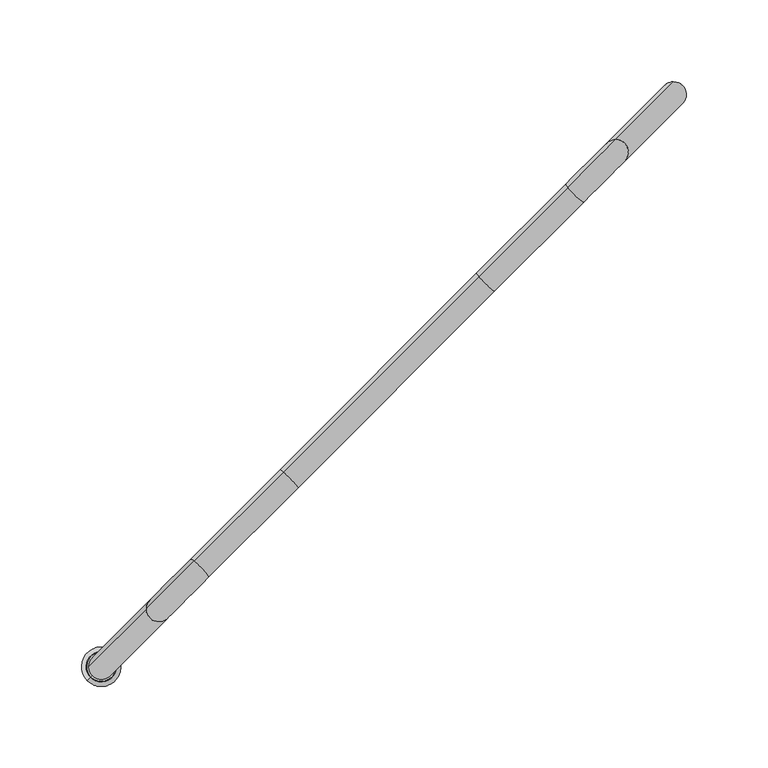
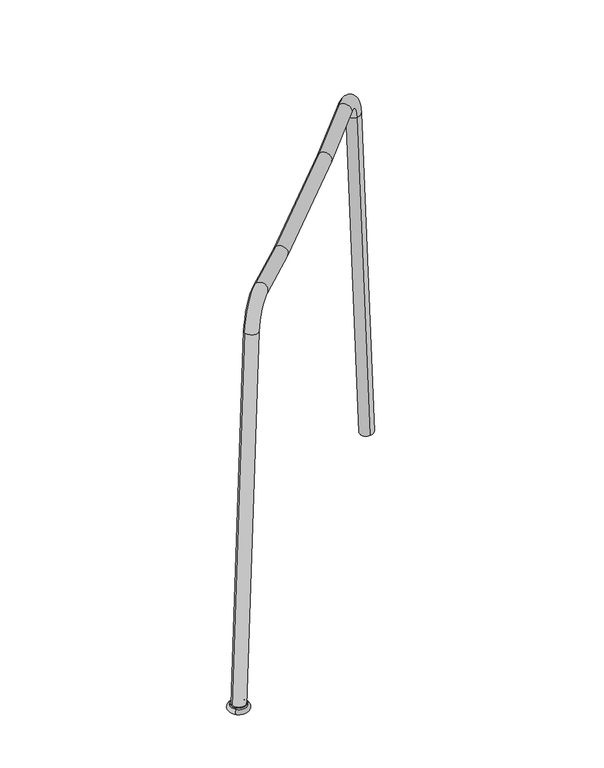
"""IFC4 building model written with IfcOpenShell, lengths in millimetres: furniture geometry."""

from ifc_helpers import new_model, si_unit, point, frame, origin, place, context, project, spatial, circle_curve, ellipse_curve, trimmed, source, transform, mapped, element, save
from ifc_brep_helpers import plane_surface, cylinder_surface, revolved_surface, advanced_brep


def furniture_af16c95f(model_context):
    return source(origin(), model_context, "Body", "AdvancedBrep", [
        advanced_brep(
        [(-167.712258, -167.680317, 7.0000593), (-180.4413635, -180.4094224, 7.0000593), (-180.6271874, -180.5952463, 5.5096764), (-167.5264341, -167.494493, 5.5096764), (-180.6271874, -180.5952463, 0.0), (-167.5264341, -167.494493, 0.0), (-174.0768107, -174.0448697, 0.0), (-174.0768107, -174.0448697, 7.0000593)],
        [
            (0, 1, circle_curve(frame((-174.0768107, -174.0448697, 7.0000593), z_axis=(0.0, 0.0, -1.0), x_axis=(-0.7071067811865459, -0.7071067811865491, 0.0)), 9.0008368)),
            (1, 2, circle_curve(frame((-184.3856332, -184.3536921, 7.2152579), z_axis=(-0.7071067811865491, 0.7071067811865459, 0.0), x_axis=(-0.7071067811865459, -0.7071067811865491, 0.0)), 5.5821893)),
            (2, 3, circle_curve(frame((-174.0768107, -174.0448697, 5.5096764), z_axis=(0.0, 0.0, 1.0), x_axis=(-0.7071067811865459, -0.7071067811865491, 0.0)), 9.2636315)),
            (3, 0, circle_curve(frame((-163.7679883, -163.7360473, 7.2152579), z_axis=(-0.7071067811865468, 0.7071067811865482, 0.0), x_axis=(0.7071067811865482, 0.7071067811865468, 0.0)), 5.5821893)),
            (1, 0, circle_curve(frame((-174.0768107, -174.0448697, 7.0000593), z_axis=(0.0, 0.0, -1.0), x_axis=(-0.7071067811865459, -0.7071067811865491, 0.0)), 9.0008368)),
            (3, 2, circle_curve(frame((-174.0768107, -174.0448697, 5.5096764), z_axis=(0.0, 0.0, 1.0), x_axis=(-0.7071067811865459, -0.7071067811865491, 0.0)), 9.2636315)),
            (2, 4, circle_curve(frame((-180.6271874, -180.5952463, 2.7548382), z_axis=(0.7071067811865491, -0.7071067811865459, 0.0), x_axis=(-0.7071067811865459, -0.7071067811865491, 0.0)), 2.7548382)),
            (4, 5, circle_curve(frame((-174.0768107, -174.0448697, 0.0), z_axis=(0.0, 0.0, 1.0), x_axis=(-0.7071067811865459, -0.7071067811865491, 0.0)), 9.2636315)),
            (5, 3, circle_curve(frame((-167.5264341, -167.494493, 2.7548382), z_axis=(0.7071067811865468, -0.7071067811865482, 0.0), x_axis=(0.7071067811865482, 0.7071067811865468, 0.0)), 2.7548382)),
            (5, 4, circle_curve(frame((-174.0768107, -174.0448697, 0.0), z_axis=(0.0, 0.0, 1.0), x_axis=(-0.7071067811865459, -0.7071067811865491, 0.0)), 9.2636315)),
            (4, 6),
            (6, 5),
            (7, 1),
            (0, 7),
        ],
        [
            revolved_surface(trimmed(ellipse_curve(frame((-184.3856332, -184.3536921, 7.2152579), z_axis=(0.7071067811865491, -0.7071067811865459, 0.0), x_axis=(-0.7071067811865459, -0.7071067811865491, 0.0)), 5.5821893, 5.5821893), [point((-180.6271874, -180.5952463, 5.5096764))], [point((-180.4413635, -180.4094224, 7.0000593))], True, "CARTESIAN"), (-174.0768107, -174.0448697, 7.0000593), (0.0, 0.0, 1.0)),
            revolved_surface(trimmed(ellipse_curve(frame((-180.6271874, -180.5952463, 2.7548382), z_axis=(-0.7071067811865491, 0.7071067811865459, 0.0), x_axis=(-0.7071067811865459, -0.7071067811865491, 0.0)), 2.7548382, 2.7548382), [point((-180.6271874, -180.5952463, 0.0))], [point((-180.6271874, -180.5952463, 5.5096764))], True, "CARTESIAN"), (-174.0768107, -174.0448697, 7.0000593), (0.0, 0.0, 1.0)),
            plane_surface(frame((-174.0768107, -174.0448697, 0.0), z_axis=(0.0, 0.0, -1.0), x_axis=(-0.7071067811865459, -0.7071067811865491, 0.0))),
            plane_surface(frame((-174.0768107, -174.0448697, 7.0000593), z_axis=(0.0, 0.0, 1.0), x_axis=(-0.7071067811865459, -0.7071067811865491, 0.0))),
        ],
        [
            (0, [[1, 2, 3, 4]]),
            (0, [[5, -4, 6, -2]]),
            (1, [[-3, 7, 8, 9]]),
            (1, [[-6, -9, 10, -7]]),
            (2, [[-8, 11, 12]]),
            (2, [[-10, -12, -11]]),
            (3, [[13, -1, 14]]),
            (3, [[-14, -5, -13]]),
        ],
    ),
        advanced_brep(
        [(-166.4559404, -174.2326671, 4.0492153), (-181.9899106, -174.1491564, 5.3407786), (-146.5731115, -138.7323573, 429.0179086), (-131.0391413, -138.815868, 427.7263453), (-55.3781391, -63.1548658, 443.2443251), (-110.2747626, -118.0514893, 450.686082), (-117.1063176, -109.2655634, 461.6001419), (-62.6802374, -54.8394833, 454.2221716), (65.4005978, 57.6238711, 443.2443251), (57.0852153, 64.9259694, 454.2221716), (120.3655797, 112.588853, 450.6983266), (111.5790679, 119.419822, 461.6122815), (176.5491999, 168.7724733, 4.0492164), (176.4656893, 184.3064434, 5.3407797), (141.0478457, 148.8885999, 429.0304036), (141.1313564, 133.3546297, 427.7388403)],
        [
            (0, 1, circle_curve(frame((-174.2229255, -174.1909118, 4.694997), z_axis=(-0.08301574672294262, -0.08301574672294297, -0.993084473542943), x_axis=(-0.9965470175569706, 0.0053574399722598155, 0.08285734508931952)), 7.7938973)),
            (1, 0, circle_curve(frame((-174.2229255, -174.1909118, 4.694997), z_axis=(-0.08301574672294262, -0.08301574672294297, -0.993084473542943), x_axis=(-0.9965470175569706, 0.0053574399722598155, 0.08285734508931952)), 7.7938973)),
            (1, 2),
            (2, 3, circle_curve(frame((-138.8061264, -138.7741126, 428.3721269), z_axis=(-0.08301574672294262, -0.08301574672294297, -0.993084473542943), x_axis=(-0.9965470175569706, 0.0053574399722598155, 0.08285734508931952)), 7.7938973)),
            (3, 0),
            (3, 2, circle_curve(frame((-138.8061264, -138.7741126, 428.3721269), z_axis=(-0.08301574672294262, -0.08301574672294297, -0.993084473542943), x_axis=(-0.9965470175569706, 0.0053574399722598155, 0.08285734508931952)), 7.7938973)),
            (4, 5, circle_curve(frame((3.729993, -4.0467337, 1723.9906604), z_axis=(-0.7071067811865491, 0.7071067811865459, 0.0), x_axis=(-0.08882532146346069, -0.08882532146346109, -0.9920786886804018)), 1283.4713545)),
            (5, 6, circle_curve(frame((-113.6905401, -113.6585264, 456.143112), z_axis=(0.7015055682365684, 0.7015055682365714, -0.1256179742957766), x_axis=(-0.43826308690588445, 0.5636413706233484, 0.7001670314843154)), 7.7938973)),
            (6, 7, circle_curve(frame((-4.0787474, 3.7620068, 1723.9906604), z_axis=(0.7071067811865491, -0.7071067811865459, 0.0), x_axis=(-0.08882532146346069, -0.08882532146346109, -0.9920786886804018)), 1272.4701507)),
            (7, 4, circle_curve(frame((-59.0291882, -58.9971745, 448.7332484), z_axis=(-0.7056054780353368, -0.7056054780353398, 0.06512924637245092), x_axis=(-0.468449741856323, 0.5334547156729098, 0.7042591182803949)), 7.7938973)),
            (6, 5, circle_curve(frame((-113.6905401, -113.6585264, 456.143112), z_axis=(0.7015055682365684, 0.7015055682365714, -0.1256179742957766), x_axis=(-0.43826308690588445, 0.5636413706233484, 0.7001670314843154)), 7.7938973)),
            (4, 7, circle_curve(frame((-59.0291882, -58.9971745, 448.7332484), z_axis=(-0.7056054780353368, -0.7056054780353398, 0.0651292463724509), x_axis=(-0.468449741856323, 0.5334547156729098, 0.7042591182803949)), 7.7938973)),
            (8, 4, circle_curve(frame((5.0112293, -2.7654973, 1751.7523013), z_axis=(-0.7071067811865491, 0.707106781186546, 0.0), x_axis=(-0.04605333176352923, -0.04605333176352943, -0.9978768367223265)), 1311.2920633)),
            (7, 9, circle_curve(frame((-2.7975111, 5.0432431, 1751.7523013), z_axis=(0.7071067811865491, -0.707106781186546, 0.0), x_axis=(-0.04605333176352923, -0.04605333176352943, -0.9978768367223265)), 1300.2908595)),
            (9, 8, circle_curve(frame((61.2429065, 61.2749203, 448.7332484), z_axis=(-0.7056054780353336, -0.7056054780353362, -0.06512924637252485), x_axis=(-0.5334547156729487, 0.468449741856284, 0.7042591182803914)), 7.7938973)),
            (8, 9, circle_curve(frame((61.2429065, 61.2749203, 448.7332484), z_axis=(-0.7056054780353336, -0.7056054780353362, -0.06512924637252487), x_axis=(-0.5334547156729487, 0.468449741856284, 0.7042591182803914)), 7.7938973)),
            (10, 8, circle_curve(frame((6.2924657, -1.484261, 1723.9906604), z_axis=(-0.7071067811865501, 0.707106781186545, 0.0), x_axis=(0.04605333176358157, 0.0460533317635819, -0.9978768367223216)), 1283.4713545)),
            (9, 11, circle_curve(frame((-1.5162747, 6.3244794, 1723.9906604), z_axis=(0.7071067811865501, -0.707106781186545, 0.0), x_axis=(0.04605333176358157, 0.0460533317635819, -0.9978768367223216)), 1272.4701507)),
            (11, 10, circle_curve(frame((115.9723238, 116.0043375, 456.1553041), z_axis=(-0.7014988222825163, -0.7014988222825211, -0.12569329605225008), x_axis=(-0.5636789596411893, 0.4382254978880432, 0.7001602984021609)), 7.7938973)),
            (10, 11, circle_curve(frame((115.9723238, 116.0043375, 456.1553041), z_axis=(-0.701498822282516, -0.7014988222825209, -0.1256932960522523), x_axis=(-0.5636789596411904, 0.4382254978880421, 0.7001602984021608)), 7.7938973)),
            (12, 13, circle_curve(frame((176.5074446, 176.5394583, 4.694998), z_axis=(0.08301574672294122, 0.0830157467229401, -0.9930844735429435), x_axis=(-0.005357439972264121, 0.9965470175569708, 0.08285734508931662)), 7.7938973)),
            (13, 12, circle_curve(frame((176.5074446, 176.5394583, 4.694998), z_axis=(0.08301574672294122, 0.0830157467229401, -0.9930844735429435), x_axis=(-0.005357439972264121, 0.9965470175569708, 0.08285734508931662)), 7.7938973)),
            (6, 2, circle_curve(frame((-120.4151143, -112.5743601, 424.6446136), z_axis=(0.7071067811865491, -0.7071067811865459, 0.0), x_axis=(-0.7022167655332868, -0.70221676553329, 0.11740199490610537)), 37.2506019)),
            (3, 5, circle_curve(frame((-112.6063739, -120.3831005, 424.6446136), z_axis=(-0.7071067811865491, 0.7071067811865459, 0.0), x_axis=(-0.7022167655332868, -0.70221676553329, 0.11740199490610537)), 26.2493981)),
            (14, 11, circle_curve(frame((114.8898485, 122.7306027, 424.6571086), z_axis=(0.7071067811865491, -0.7071067811865459, 0.0), x_axis=(-0.0888785819884195, -0.0888785819884199, 0.9920691484606582)), 37.2506019)),
            (10, 15, circle_curve(frame((122.698589, 114.9218623, 424.6571086), z_axis=(-0.7071067811865491, 0.7071067811865459, 0.0), x_axis=(-0.0888785819884195, -0.0888785819884199, 0.9920691484606582)), 26.2493981)),
            (15, 14, circle_curve(frame((141.0896011, 141.1216148, 428.384622), z_axis=(-0.08301574672294426, -0.08301574672294425, 0.9930844735429428), x_axis=(-0.005357439972264344, 0.9965470175569704, 0.08285734508932079)), 7.7938973)),
            (14, 15, circle_curve(frame((141.0896011, 141.1216148, 428.384622), z_axis=(-0.08301574672294426, -0.08301574672294425, 0.9930844735429428), x_axis=(-0.005357439972264344, 0.9965470175569704, 0.08285734508932079)), 7.7938973)),
            (15, 12),
            (13, 14),
        ],
        [
            plane_surface(frame((-174.2229255, -174.1909118, 4.694997), z_axis=(-0.08301574672294253, -0.0830157467229429, -0.9930844735429432), x_axis=(-0.7071067811865491, 0.7071067811865459, 0.0))),
            cylinder_surface(frame((-174.2229255, -174.1909118, 4.694997), z_axis=(-0.08301574672294264, -0.08301574672294298, -0.9930844735429433), x_axis=(-0.9965470175569706, 0.0053574399722598155, 0.08285734508931952)), 7.7938973),
            revolved_surface(trimmed(ellipse_curve(frame((-113.6905401, -113.6585264, 456.143112), z_axis=(-0.7015055682365684, -0.7015055682365714, 0.1256179742957766), x_axis=(-0.43826308690588445, 0.5636413706233484, 0.7001670314843154)), 7.7938973, 7.7938973), [point((-117.1063176, -109.2655634, 461.6001419))], [point((-110.2747626, -118.0514893, 450.686082))], True, "CARTESIAN"), (-0.1743772, -0.1423635, 1723.9906604), (0.7071067811865491, -0.7071067811865459, 0.0)),
            revolved_surface(trimmed(ellipse_curve(frame((-113.6905401, -113.6585264, 456.143112), z_axis=(-0.7015055682365684, -0.7015055682365714, 0.1256179742957766), x_axis=(-0.43826308690588445, 0.5636413706233484, 0.7001670314843154)), 7.7938973, 7.7938973), [point((-110.2747626, -118.0514893, 450.686082))], [point((-117.1063176, -109.2655634, 461.6001419))], True, "CARTESIAN"), (-0.1743772, -0.1423635, 1723.9906604), (0.7071067811865491, -0.7071067811865459, 0.0)),
            revolved_surface(trimmed(ellipse_curve(frame((-59.0291882, -58.9971745, 448.7332484), z_axis=(-0.705605478035337, -0.7056054780353397, 0.06512924637245109), x_axis=(-0.46844974185632293, 0.5334547156729101, 0.704259118280395)), 7.7938973, 7.7938973), [point((-62.6802374, -54.8394833, 454.2221716))], [point((-55.3781391, -63.1548658, 443.2443251))], True, "CARTESIAN"), (1.1068591, 1.1388729, 1751.7523013), (0.7071067811865491, -0.707106781186546, 0.0)),
            revolved_surface(trimmed(ellipse_curve(frame((-59.0291882, -58.9971745, 448.7332484), z_axis=(-0.705605478035337, -0.7056054780353397, 0.06512924637245109), x_axis=(-0.46844974185632293, 0.5334547156729101, 0.704259118280395)), 7.7938973, 7.7938973), [point((-55.3781391, -63.1548658, 443.2443251))], [point((-62.6802374, -54.8394833, 454.2221716))], True, "CARTESIAN"), (1.1068591, 1.1388729, 1751.7523013), (0.7071067811865491, -0.707106781186546, 0.0)),
            revolved_surface(trimmed(ellipse_curve(frame((61.2429065, 61.2749203, 448.7332484), z_axis=(-0.7056054780353325, -0.7056054780353374, -0.0651292463725247), x_axis=(-0.5334547156729493, 0.46844974185628335, 0.7042591182803913)), 7.7938973, 7.7938973), [point((57.0852153, 64.9259694, 454.2221716))], [point((65.4005978, 57.6238711, 443.2443251))], True, "CARTESIAN"), (2.3880955, 2.4201092, 1723.9906604), (0.7071067811865501, -0.707106781186545, 0.0)),
            revolved_surface(trimmed(ellipse_curve(frame((61.2429065, 61.2749203, 448.7332484), z_axis=(-0.7056054780353325, -0.7056054780353374, -0.0651292463725247), x_axis=(-0.5334547156729493, 0.46844974185628335, 0.7042591182803913)), 7.7938973, 7.7938973), [point((65.4005978, 57.6238711, 443.2443251))], [point((57.0852153, 64.9259694, 454.2221716))], True, "CARTESIAN"), (2.3880955, 2.4201092, 1723.9906604), (0.7071067811865501, -0.707106781186545, 0.0)),
            plane_surface(frame((176.5074446, 176.5394583, 4.694998), z_axis=(0.08301574672294132, 0.08301574672294025, -0.9930844735429434), x_axis=(-0.707106781186549, 0.707106781186546, 0.0))),
            revolved_surface(trimmed(ellipse_curve(frame((-138.8061264, -138.7741126, 428.3721269), z_axis=(-0.08301574672293545, -0.08301574672293592, -0.9930844735429443), x_axis=(-0.9965470175569711, 0.005357439972259237, 0.08285734508931236)), 7.7938973, 7.7938973), [point((-131.0391413, -138.815868, 427.7263453))], [point((-146.5731115, -138.7323573, 429.0179086))], True, "CARTESIAN"), (-116.5107441, -116.4787303, 424.6446136), (-0.7071067811865491, 0.7071067811865459, 0.0)),
            revolved_surface(trimmed(ellipse_curve(frame((-138.8061264, -138.7741126, 428.3721269), z_axis=(-0.08301574672293545, -0.08301574672293592, -0.9930844735429443), x_axis=(-0.9965470175569711, 0.005357439972259237, 0.08285734508931236)), 7.7938973, 7.7938973), [point((-146.5731115, -138.7323573, 429.0179086))], [point((-131.0391413, -138.815868, 427.7263453))], True, "CARTESIAN"), (-116.5107441, -116.4787303, 424.6446136), (-0.7071067811865491, 0.7071067811865459, 0.0)),
            revolved_surface(trimmed(ellipse_curve(frame((115.9723238, 116.0043375, 456.1553041), z_axis=(-0.7014988222824938, -0.7014988222824965, -0.12569329605251195), x_axis=(-0.5636789596413192, 0.43822549788791315, 0.7001602984021377)), 7.7938973, 7.7938973), [point((120.3655797, 112.588853, 450.6983266))], [point((111.5790679, 119.419822, 461.6122815))], True, "CARTESIAN"), (118.7942188, 118.8262325, 424.6571086), (-0.7071067811865491, 0.7071067811865459, 0.0)),
            revolved_surface(trimmed(ellipse_curve(frame((115.9723238, 116.0043375, 456.1553041), z_axis=(-0.7014988222824938, -0.7014988222824965, -0.12569329605251195), x_axis=(-0.5636789596413192, 0.43822549788791315, 0.7001602984021377)), 7.7938973, 7.7938973), [point((111.5790679, 119.419822, 461.6122815))], [point((120.3655797, 112.588853, 450.6983266))], True, "CARTESIAN"), (118.7942188, 118.8262325, 424.6571086), (-0.7071067811865491, 0.7071067811865459, 0.0)),
            cylinder_surface(frame((141.0896011, 141.1216148, 428.384622), z_axis=(-0.08301574672294122, -0.0830157467229401, 0.9930844735429435), x_axis=(-0.005357439972264121, 0.9965470175569708, 0.08285734508931662)), 7.7938973),
        ],
        [
            (0, [[1, 2]]),
            (1, [[-2, 3, 4, 5]]),
            (1, [[-1, -5, 6, -3]]),
            (2, [[7, 8, 9, 10]]),
            (3, [[-9, 11, -7, 12]]),
            (4, [[13, -10, 14, 15]]),
            (5, [[-14, -12, -13, 16]]),
            (6, [[17, -15, 18, 19]]),
            (7, [[-18, -16, -17, 20]]),
            (8, [[21, 22]]),
            (9, [[23, -6, 24, -11]]),
            (10, [[-24, -4, -23, -8]]),
            (11, [[25, -20, 26, 27]]),
            (12, [[-26, -19, -25, 28]]),
            (13, [[-27, 29, -22, 30]]),
            (13, [[-28, -30, -21, -29]]),
        ],
    ),
    ])


if __name__ == "__main__":
    model = new_model("IFC4")
    model_context = context("Model", 3, world=origin())
    ifc_project = project(units=[si_unit("LENGTHUNIT", "METRE", prefix="MILLI")], contexts=[model_context])
    site = spatial("IfcSite", under=ifc_project)
    building = spatial("IfcBuilding", under=site)
    placement = place(None, origin())
    furniture_shape = furniture_af16c95f(model_context)
    element("IfcFurniture", 1, at=placement, inside=building, context=model_context, shape_type="MappedRepresentation", body=[
        mapped(furniture_shape, transform((0.0, 0.0, 0.0), x_axis=(1.0, 0.0, 0.0), y_axis=(0.0, 1.0, 0.0), z_axis=(0.0, 0.0, 1.0))),
    ])
    save(model, "model.ifc")
